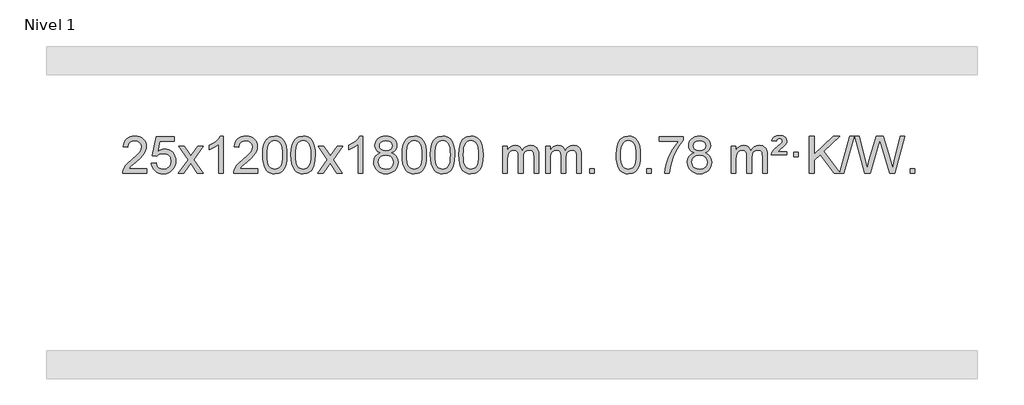
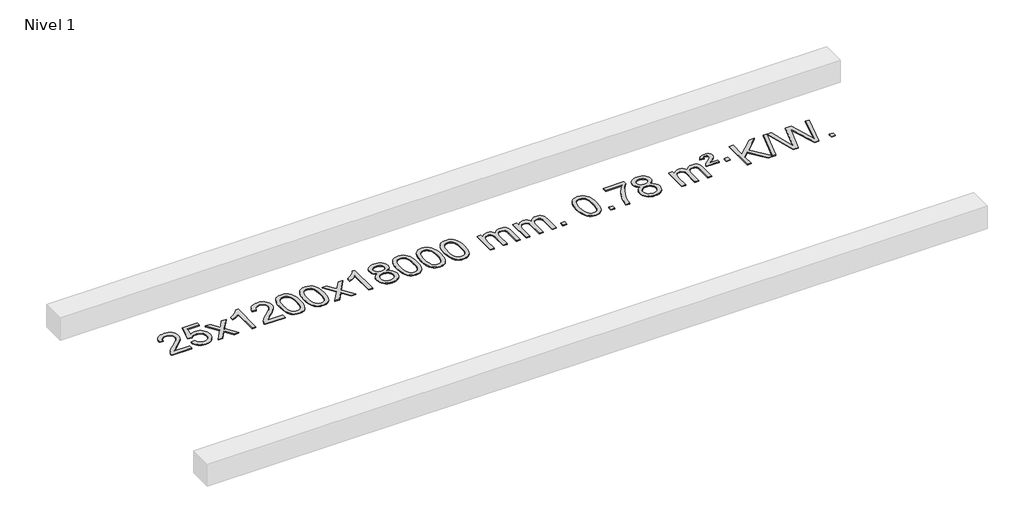
# One storey, part 3 of 3: 1 proxy.
"""IFC4 building model written with IfcOpenShell, lengths in millimetres."""

from ifc_helpers import new_model, si_unit, origin, origin_with_axes, place, context, project, spatial, polyline, outline, extrude, element, save

model = new_model("IFC4")

# Units and contexts
model_context = context("Model", 3, world=origin())
ifc_project = project(units=[si_unit("LENGTHUNIT", "METRE", prefix="MILLI")], contexts=[model_context])

# Site, building, storey
site = spatial("IfcSite", under=ifc_project)
building = spatial("IfcBuilding", under=site)
storey = spatial("IfcBuildingStorey", under=building, Name="Nivel 1", Elevation=0.0)

# Proxy
placement = place(None, origin())
element("IfcBuildingElementProxy", 1, Name="Texto de modelo 1", ObjectType="Texto de modelo 1", at=placement, inside=storey, context=model_context, shape_type="SweptSolid", body=[
    extrude(outline(polyline([(-18907.5476689, 2333.9033514), (-18907.5476689, 2283.6751963), (-19171.2454831, 2283.6751963), (-19170.1418371, 2301.3580575), (-19165.8498805, 2318.3051548), (-19153.46452, 2345.3690069), (-19135.3402003, 2371.6235186), (-19109.1224768, 2399.1043037), (-19072.4569046, 2429.8469757), (-19018.255624, 2477.9904662), (-18985.7348556, 2513.5278669), (-18969.4744714, 2542.3698153), (-18964.0543434, 2570.4269488), (-18969.1679031, 2595.5778145), (-18984.5085823, 2616.4857746), (-19008.0898182, 2630.575655), (-19037.925048, 2635.2722818), (-19069.2563313, 2630.6860196), (-19093.5978566, 2616.927233), (-19109.3064178, 2595.0750425), (-19114.7388086, 2566.2085686), (-19164.9669637, 2572.487088), (-19160.6474159, 2598.4166373), (-19152.7900696, 2621.0720368), (-19141.3949248, 2640.4532866), (-19126.4619815, 2656.5603866), (-19108.3345962, 2669.2216586), (-19087.3561254, 2678.2654243), (-19063.5265692, 2683.6916838), (-19036.8459275, 2685.5004369), (-19009.9261625, 2683.4893487), (-18985.9678476, 2677.4560839), (-18964.9709827, 2667.4006427), (-18946.9355679, 2653.3230251), (-18932.4502143, 2636.2655632), (-18922.1035332, 2617.2705895), (-18915.8955245, 2596.338104), (-18913.8261883, 2573.4681066), (-18916.0580057, 2549.4454124), (-18922.7534581, 2525.839651), (-18934.6360465, 2501.8292194), (-18952.4292723, 2476.5925146), (-18980.7929742, 2446.4629792), (-19024.3869906, 2407.774056), (-19082.1689893, 2359.4588873), (-19104.8305202, 2333.9033514), (-18907.5476689, 2333.9033514)])), origin_with_axes(), (0.0, 0.0, 1.0), 10.0),
    extrude(outline(polyline([(-18857.3195138, 2390.4100258), (-18807.0913588, 2396.6885452), (-18797.8697834, 2366.5344844), (-18781.7810775, 2344.9398112), (-18758.8988174, 2331.9535768), (-18729.2965795, 2327.624832), (-18710.1667158, 2329.1300825), (-18693.2931949, 2333.645834), (-18678.676017, 2341.1720865), (-18666.3151819, 2351.7088399), (-18656.4866013, 2364.7349283), (-18649.4661866, 2379.7291852), (-18643.8498548, 2415.6222052), (-18649.1105673, 2449.4182979), (-18655.686458, 2463.3365), (-18664.8927049, 2475.2681394), (-18676.7599649, 2484.8392026), (-18691.3188949, 2491.6756764), (-18728.5117646, 2497.1448554), (-18752.8778154, 2494.9620889), (-18772.6085531, 2488.4137894), (-18788.3661652, 2478.3828736), (-18800.8128394, 2465.7522585), (-18851.0409945, 2472.0307778), (-18807.0913588, 2679.2219175), (-18612.4572579, 2679.2219175), (-18612.4572579, 2628.9937624), (-18766.4771865, 2628.9937624), (-18787.961495, 2518.3348583), (-18770.2357142, 2531.0390499), (-18752.0807378, 2540.1134724), (-18733.4965656, 2545.5581259), (-18714.4831979, 2547.3730104), (-18690.0221109, 2545.1227989), (-18667.553718, 2538.3721643), (-18647.0780193, 2527.1211066), (-18628.5950147, 2511.3696259), (-18613.2941894, 2492.0803466), (-18602.3650285, 2470.2158933), (-18595.8075319, 2445.7762661), (-18593.6216997, 2418.7614649), (-18595.5898684, 2392.7399451), (-18601.4943744, 2368.5333099), (-18611.3352178, 2346.1415591), (-18625.1123985, 2325.5646928), (-18645.9835703, 2304.4911859), (-18670.3373584, 2289.4386809), (-18698.1737627, 2280.4071779), (-18729.4927833, 2277.3966769), (-18755.4131355, 2279.3311231), (-18778.8257588, 2285.1344616), (-18799.7306532, 2294.8066923), (-18818.1278186, 2308.3478154), (-18833.4347753, 2325.0833805), (-18845.0690434, 2344.3389373), (-18853.0306229, 2366.1144857), (-18857.3195138, 2390.4100258)])), origin_with_axes(), (0.0, 0.0, 1.0), 10.0),
    extrude(outline(polyline([(-18568.5076222, 2283.6751963), (-18461.1841814, 2432.0052168), (-18562.2291028, 2578.7656074), (-18501.7983537, 2578.7656074), (-18453.0417266, 2508.1322643), (-18430.2820938, 2474.7776301), (-18410.5636189, 2502.0499486), (-18355.0379631, 2578.7656074), (-18294.607214, 2578.7656074), (-18400.7534324, 2432.0052168), (-18298.5312886, 2283.6751963), (-18358.9620377, 2283.6751963), (-18420.4719073, 2372.8497919), (-18431.7536218, 2389.1347016), (-18508.0768731, 2283.6751963), (-18568.5076222, 2283.6751963)])), origin_with_axes(), (0.0, 0.0, 1.0), 10.0),
    extrude(outline(polyline([(-18078.7831102, 2283.6751963), (-18129.0112653, 2283.6751963), (-18129.0112653, 2596.8163506), (-18149.980539, 2579.8569906), (-18176.59067, 2562.9221561), (-18229.4675754, 2537.5628239), (-18229.4675754, 2585.0441268), (-18190.0183628, 2606.5039098), (-18155.8421254, 2632.0349203), (-18128.9009007, 2659.1846115), (-18111.1567258, 2685.5004369), (-18078.7831102, 2685.5004369), (-18078.7831102, 2283.6751963)])), origin_with_axes(), (0.0, 0.0, 1.0), 10.0),
    extrude(outline(polyline([(-17702.0719471, 2333.9033514), (-17702.0719471, 2283.6751963), (-17965.7697613, 2283.6751963), (-17964.6661153, 2301.3580575), (-17960.3741587, 2318.3051548), (-17947.9887982, 2345.3690069), (-17929.8644785, 2371.6235186), (-17903.646755, 2399.1043037), (-17866.9811828, 2429.8469757), (-17812.7799022, 2477.9904662), (-17780.2591338, 2513.5278669), (-17763.9987496, 2542.3698153), (-17758.5786216, 2570.4269488), (-17763.6921813, 2595.5778145), (-17779.0328605, 2616.4857746), (-17802.6140964, 2630.575655), (-17832.4493262, 2635.2722818), (-17863.7806095, 2630.6860196), (-17888.1221348, 2616.927233), (-17903.830696, 2595.0750425), (-17909.2630868, 2566.2085686), (-17959.4912419, 2572.487088), (-17955.1716941, 2598.4166373), (-17947.3143478, 2621.0720368), (-17935.919203, 2640.4532866), (-17920.9862597, 2656.5603866), (-17902.8588744, 2669.2216586), (-17881.8804036, 2678.2654243), (-17858.0508474, 2683.6916838), (-17831.3702057, 2685.5004369), (-17804.4504407, 2683.4893487), (-17780.4921258, 2677.4560839), (-17759.4952609, 2667.4006427), (-17741.4598461, 2653.3230251), (-17726.9744925, 2636.2655632), (-17716.6278114, 2617.2705895), (-17710.4198027, 2596.338104), (-17708.3504665, 2573.4681066), (-17710.5822839, 2549.4454124), (-17717.2777363, 2525.839651), (-17729.1603247, 2501.8292194), (-17746.9535505, 2476.5925146), (-17775.3172524, 2446.4629792), (-17818.9112688, 2407.774056), (-17876.6932675, 2359.4588873), (-17899.3547984, 2333.9033514), (-17702.0719471, 2333.9033514)])), origin_with_axes(), (0.0, 0.0, 1.0), 10.0),
    extrude(outline(polyline([(-17651.8437921, 2481.350455), (-17648.1527094, 2545.6684905), (-17637.0794613, 2596.9635034), (-17618.7344125, 2636.0203086), (-17606.8763495, 2651.2536888), (-17593.2279275, 2663.6237209), (-17577.7431612, 2673.1947842), (-17560.3760653, 2680.0312579), (-17519.994885, 2685.5004369), (-17489.0437465, 2682.2630753), (-17461.3299695, 2672.5509907), (-17438.1534038, 2656.7443276), (-17420.8138991, 2635.2232309), (-17407.7173001, 2608.1716415), (-17397.2694514, 2575.7735005), (-17390.4268463, 2534.6320307), (-17388.1459779, 2481.350455), (-17391.8002724, 2417.4003016), (-17402.7631558, 2366.227916), (-17420.9978401, 2327.1343227), (-17432.8283119, 2311.8549571), (-17446.4675369, 2299.4205457), (-17461.9706973, 2289.7851031), (-17479.3929754, 2282.9026441), (-17519.994885, 2277.3966769), (-17547.659611, 2279.7879099), (-17572.1850774, 2286.9616088), (-17593.571284, 2298.9177736), (-17611.818231, 2315.6564044), (-17629.3294139, 2345.9146985), (-17641.8374018, 2383.6164717), (-17649.3421945, 2428.7617238), (-17651.8437921, 2481.350455)]), holes=[polyline([(-17601.615637, 2481.4485569), (-17600.144109, 2437.7840298), (-17595.7295251, 2402.4397671), (-17588.3718851, 2375.4157689), (-17578.0711893, 2356.7120351), (-17565.6122524, 2343.9863837), (-17551.7798894, 2334.8966328), (-17536.5741002, 2329.4427822), (-17519.994885, 2327.624832), (-17503.4156697, 2329.4489136), (-17488.2098806, 2334.9211582), (-17474.3775176, 2344.041566), (-17461.9185807, 2356.8101369), (-17451.6178848, 2375.5445276), (-17444.2602449, 2402.5623944), (-17439.845661, 2437.8637375), (-17438.374133, 2481.4485569), (-17439.79661, 2523.9573215), (-17444.0640412, 2558.6792504), (-17451.1764264, 2585.6143438), (-17461.1337658, 2604.7626017), (-17473.3842362, 2618.1105868), (-17487.3760147, 2627.6448618), (-17503.1091014, 2633.3654268), (-17520.5834962, 2635.2722818), (-17537.0768723, 2633.5922874), (-17552.025144, 2628.5523041), (-17565.4283114, 2620.1523318), (-17577.2863744, 2608.3923707), (-17587.9304268, 2587.5457243), (-17595.5333213, 2559.4395399), (-17600.0950581, 2524.0738174), (-17601.615637, 2481.4485569)])]), origin_with_axes(), (0.0, 0.0, 1.0), 10.0),
    extrude(outline(polyline([(-17344.1963422, 2481.350455), (-17340.5052595, 2545.6684905), (-17329.4320115, 2596.9635034), (-17311.0869627, 2636.0203086), (-17299.2288997, 2651.2536888), (-17285.5804777, 2663.6237209), (-17270.0957113, 2673.1947842), (-17252.7286155, 2680.0312579), (-17212.3474351, 2685.5004369), (-17181.3962966, 2682.2630753), (-17153.6825196, 2672.5509907), (-17130.505954, 2656.7443276), (-17113.1664492, 2635.2232309), (-17100.0698502, 2608.1716415), (-17089.6220016, 2575.7735005), (-17082.7793964, 2534.6320307), (-17080.4985281, 2481.350455), (-17084.1528226, 2417.4003016), (-17095.115706, 2366.227916), (-17113.3503902, 2327.1343227), (-17125.1808621, 2311.8549571), (-17138.820087, 2299.4205457), (-17154.3232475, 2289.7851031), (-17171.7455256, 2282.9026441), (-17212.3474351, 2277.3966769), (-17240.0121612, 2279.7879099), (-17264.5376275, 2286.9616088), (-17285.9238342, 2298.9177736), (-17304.1707811, 2315.6564044), (-17321.6819641, 2345.9146985), (-17334.1899519, 2383.6164717), (-17341.6947446, 2428.7617238), (-17344.1963422, 2481.350455)]), holes=[polyline([(-17293.9681871, 2481.4485569), (-17292.4966592, 2437.7840298), (-17288.0820752, 2402.4397671), (-17280.7244353, 2375.4157689), (-17270.4237395, 2356.7120351), (-17257.9648025, 2343.9863837), (-17244.1324395, 2334.8966328), (-17228.9266504, 2329.4427822), (-17212.3474351, 2327.624832), (-17195.7682199, 2329.4489136), (-17180.5624308, 2334.9211582), (-17166.7300677, 2344.041566), (-17154.2711308, 2356.8101369), (-17143.970435, 2375.5445276), (-17136.6127951, 2402.5623944), (-17132.1982111, 2437.8637375), (-17130.7266831, 2481.4485569), (-17132.1491602, 2523.9573215), (-17136.4165913, 2558.6792504), (-17143.5289766, 2585.6143438), (-17153.4863159, 2604.7626017), (-17165.7367864, 2618.1105868), (-17179.7285649, 2627.6448618), (-17195.4616516, 2633.3654268), (-17212.9360463, 2635.2722818), (-17229.4294225, 2633.5922874), (-17244.3776942, 2628.5523041), (-17257.7808616, 2620.1523318), (-17269.6389245, 2608.3923707), (-17280.2829769, 2587.5457243), (-17287.8858715, 2559.4395399), (-17292.4476082, 2524.0738174), (-17293.9681871, 2481.4485569)])]), origin_with_axes(), (0.0, 0.0, 1.0), 10.0),
    extrude(outline(polyline([(-17055.3844505, 2283.6751963), (-16948.0610098, 2432.0052168), (-17049.1059312, 2578.7656074), (-16988.6751821, 2578.7656074), (-16939.918555, 2508.1322643), (-16917.1589222, 2474.7776301), (-16897.4404473, 2502.0499486), (-16841.9147915, 2578.7656074), (-16781.4840424, 2578.7656074), (-16887.6302607, 2432.0052168), (-16785.408117, 2283.6751963), (-16845.8388661, 2283.6751963), (-16907.3487357, 2372.8497919), (-16918.6304502, 2389.1347016), (-16994.9537015, 2283.6751963), (-17055.3844505, 2283.6751963)])), origin_with_axes(), (0.0, 0.0, 1.0), 10.0),
    extrude(outline(polyline([(-16565.6599386, 2283.6751963), (-16615.8880936, 2283.6751963), (-16615.8880936, 2596.8163506), (-16636.8573674, 2579.8569906), (-16663.4674983, 2562.9221561), (-16716.3444038, 2537.5628239), (-16716.3444038, 2585.0441268), (-16676.8951912, 2606.5039098), (-16642.7189538, 2632.0349203), (-16615.777729, 2659.1846115), (-16598.0335541, 2685.5004369), (-16565.6599386, 2685.5004369), (-16565.6599386, 2283.6751963)])), origin_with_axes(), (0.0, 0.0, 1.0), 10.0),
    extrude(outline(polyline([(-16373.1840787, 2504.9930046), (-16400.0762525, 2518.2367564), (-16418.9485989, 2536.1893978), (-16430.0954233, 2558.4830467), (-16433.8110315, 2584.7498212), (-16431.7876805, 2605.2347169), (-16425.7176276, 2624.0150928), (-16415.6008727, 2641.0909487), (-16401.4374159, 2656.4622848), (-16383.9078388, 2669.1664763), (-16363.6927232, 2678.2408989), (-16340.792069, 2683.6855524), (-16315.2058762, 2685.5004369), (-16289.4970561, 2683.6426328), (-16266.4247237, 2678.0692206), (-16245.9888788, 2668.7802002), (-16228.1895216, 2655.7755717), (-16213.7685474, 2640.1037987), (-16203.4678516, 2622.8133449), (-16197.2874341, 2603.9042104), (-16195.2272949, 2583.376395), (-16198.8938521, 2557.9557492), (-16209.8935238, 2536.042245), (-16228.3489372, 2518.1999682), (-16254.3827197, 2504.9930046), (-16223.4683694, 2489.0637142), (-16200.966254, 2465.6051057), (-16187.2442556, 2435.7453504), (-16182.6702561, 2400.6126198), (-16184.9388617, 2375.559856), (-16191.7446787, 2352.5917567), (-16203.0877068, 2331.7083221), (-16218.9679463, 2312.9095522), (-16238.5515312, 2297.3726693), (-16261.0045956, 2286.2748957), (-16286.3271396, 2279.6162316), (-16314.5191632, 2277.3966769), (-16342.7111867, 2279.6254287), (-16368.0337307, 2286.3116839), (-16390.4867952, 2297.4554427), (-16410.0703801, 2313.056705), (-16425.9506195, 2331.9872993), (-16437.2936477, 2353.1190543), (-16444.0994646, 2376.4519698), (-16446.3680703, 2401.986046), (-16441.6101298, 2438.4799399), (-16427.3363084, 2468.4991107), (-16404.28237, 2491.0134888), (-16373.1840787, 2504.9930046)]), holes=[polyline([(-16396.1399152, 2403.7518795), (-16394.0429878, 2384.5361766), (-16387.7522057, 2365.9336104), (-16376.1393974, 2349.7100144), (-16358.0763914, 2337.6312223), (-16336.4449301, 2330.1264296), (-16314.1267557, 2327.624832), (-16279.9382556, 2332.8855445), (-16266.044579, 2339.4614352), (-16254.2846178, 2348.6676821), (-16238.2449629, 2372.5677491), (-16232.8984112, 2402.1822497), (-16238.4166411, 2432.2995224), (-16254.9713309, 2456.7268868), (-16267.0501231, 2466.1691914), (-16281.2135799, 2472.9136946), (-16315.7944874, 2478.3092972), (-16349.5047409, 2472.987271), (-16363.2420678, 2466.3347383), (-16374.9008613, 2457.0211924), (-16390.8301517, 2433.0598118), (-16396.1399152, 2403.7518795)]), polyline([(-16383.5828764, 2583.2782932), (-16379.1315043, 2561.3525263), (-16365.7773878, 2543.8413433), (-16343.9129346, 2532.363425), (-16313.930552, 2528.5374523), (-16284.6471452, 2532.3388996), (-16263.1137857, 2543.7432414), (-16249.8700339, 2560.6658132), (-16245.45545, 2581.0219503), (-16250.0171867, 2602.1506395), (-16263.7023969, 2619.6250343), (-16285.530062, 2631.3604699), (-16314.5191632, 2635.2722818), (-16343.6922054, 2631.4463091), (-16365.4830822, 2619.9683908), (-16379.0579279, 2603.1439209), (-16383.5828764, 2583.2782932)])]), origin_with_axes(), (0.0, 0.0, 1.0), 10.0),
    extrude(outline(polyline([(-16138.7206204, 2481.350455), (-16135.0295377, 2545.6684905), (-16123.9562897, 2596.9635034), (-16105.6112409, 2636.0203086), (-16093.7531779, 2651.2536888), (-16080.1047559, 2663.6237209), (-16064.6199895, 2673.1947842), (-16047.2528937, 2680.0312579), (-16006.8717134, 2685.5004369), (-15975.9205748, 2682.2630753), (-15948.2067979, 2672.5509907), (-15925.0302322, 2656.7443276), (-15907.6907275, 2635.2232309), (-15894.5941284, 2608.1716415), (-15884.1462798, 2575.7735005), (-15877.3036746, 2534.6320307), (-15875.0228063, 2481.350455), (-15878.6771008, 2417.4003016), (-15889.6399842, 2366.227916), (-15907.8746684, 2327.1343227), (-15919.7051403, 2311.8549571), (-15933.3443652, 2299.4205457), (-15948.8475257, 2289.7851031), (-15966.2698038, 2282.9026441), (-16006.8717134, 2277.3966769), (-16034.5364394, 2279.7879099), (-16059.0619057, 2286.9616088), (-16080.4481124, 2298.9177736), (-16098.6950593, 2315.6564044), (-16116.2062423, 2345.9146985), (-16128.7142302, 2383.6164717), (-16136.2190229, 2428.7617238), (-16138.7206204, 2481.350455)]), holes=[polyline([(-16088.4924653, 2481.4485569), (-16087.0209374, 2437.7840298), (-16082.6063534, 2402.4397671), (-16075.2487135, 2375.4157689), (-16064.9480177, 2356.7120351), (-16052.4890808, 2343.9863837), (-16038.6567177, 2334.8966328), (-16023.4509286, 2329.4427822), (-16006.8717134, 2327.624832), (-15990.2924981, 2329.4489136), (-15975.086709, 2334.9211582), (-15961.2543459, 2344.041566), (-15948.795409, 2356.8101369), (-15938.4947132, 2375.5445276), (-15931.1370733, 2402.5623944), (-15926.7224893, 2437.8637375), (-15925.2509614, 2481.4485569), (-15926.6734384, 2523.9573215), (-15930.9408695, 2558.6792504), (-15938.0532548, 2585.6143438), (-15948.0105941, 2604.7626017), (-15960.2610646, 2618.1105868), (-15974.2528431, 2627.6448618), (-15989.9859298, 2633.3654268), (-16007.4603245, 2635.2722818), (-16023.9537007, 2633.5922874), (-16038.9019724, 2628.5523041), (-16052.3051398, 2620.1523318), (-16064.1632027, 2608.3923707), (-16074.8072551, 2587.5457243), (-16082.4101497, 2559.4395399), (-16086.9718864, 2524.0738174), (-16088.4924653, 2481.4485569)])]), origin_with_axes(), (0.0, 0.0, 1.0), 10.0),
    extrude(outline(polyline([(-15831.0731706, 2481.350455), (-15827.3820879, 2545.6684905), (-15816.3088398, 2596.9635034), (-15797.963791, 2636.0203086), (-15786.105728, 2651.2536888), (-15772.457306, 2663.6237209), (-15756.9725397, 2673.1947842), (-15739.6054439, 2680.0312579), (-15699.2242635, 2685.5004369), (-15668.273125, 2682.2630753), (-15640.559348, 2672.5509907), (-15617.3827823, 2656.7443276), (-15600.0432776, 2635.2232309), (-15586.9466786, 2608.1716415), (-15576.4988299, 2575.7735005), (-15569.6562248, 2534.6320307), (-15567.3753564, 2481.350455), (-15571.0296509, 2417.4003016), (-15581.9925344, 2366.227916), (-15600.2272186, 2327.1343227), (-15612.0576904, 2311.8549571), (-15625.6969154, 2299.4205457), (-15641.2000758, 2289.7851031), (-15658.622354, 2282.9026441), (-15699.2242635, 2277.3966769), (-15726.8889896, 2279.7879099), (-15751.4144559, 2286.9616088), (-15772.8006626, 2298.9177736), (-15791.0476095, 2315.6564044), (-15808.5587925, 2345.9146985), (-15821.0667803, 2383.6164717), (-15828.571573, 2428.7617238), (-15831.0731706, 2481.350455)]), holes=[polyline([(-15780.8450155, 2481.4485569), (-15779.3734875, 2437.7840298), (-15774.9589036, 2402.4397671), (-15767.6012637, 2375.4157689), (-15757.3005678, 2356.7120351), (-15744.8416309, 2343.9863837), (-15731.0092679, 2334.8966328), (-15715.8034788, 2329.4427822), (-15699.2242635, 2327.624832), (-15682.6450483, 2329.4489136), (-15667.4392591, 2334.9211582), (-15653.6068961, 2344.041566), (-15641.1479592, 2356.8101369), (-15630.8472633, 2375.5445276), (-15623.4896234, 2402.5623944), (-15619.0750395, 2437.8637375), (-15617.6035115, 2481.4485569), (-15619.0259886, 2523.9573215), (-15623.2934197, 2558.6792504), (-15630.405805, 2585.6143438), (-15640.3631443, 2604.7626017), (-15652.6136147, 2618.1105868), (-15666.6053933, 2627.6448618), (-15682.3384799, 2633.3654268), (-15699.8128747, 2635.2722818), (-15716.3062508, 2633.5922874), (-15731.2545226, 2628.5523041), (-15744.6576899, 2620.1523318), (-15756.5157529, 2608.3923707), (-15767.1598053, 2587.5457243), (-15774.7626999, 2559.4395399), (-15779.3244366, 2524.0738174), (-15780.8450155, 2481.4485569)])]), origin_with_axes(), (0.0, 0.0, 1.0), 10.0),
    extrude(outline(polyline([(-15523.4257208, 2481.350455), (-15519.7346381, 2545.6684905), (-15508.66139, 2596.9635034), (-15490.3163412, 2636.0203086), (-15478.4582782, 2651.2536888), (-15464.8098562, 2663.6237209), (-15449.3250899, 2673.1947842), (-15431.957994, 2680.0312579), (-15391.5768137, 2685.5004369), (-15360.6256752, 2682.2630753), (-15332.9118982, 2672.5509907), (-15309.7353325, 2656.7443276), (-15292.3958278, 2635.2232309), (-15279.2992288, 2608.1716415), (-15268.8513801, 2575.7735005), (-15262.008775, 2534.6320307), (-15259.7279066, 2481.350455), (-15263.3822011, 2417.4003016), (-15274.3450846, 2366.227916), (-15292.5797688, 2327.1343227), (-15304.4102406, 2311.8549571), (-15318.0494656, 2299.4205457), (-15333.552626, 2289.7851031), (-15350.9749041, 2282.9026441), (-15391.5768137, 2277.3966769), (-15419.2415397, 2279.7879099), (-15443.7670061, 2286.9616088), (-15465.1532127, 2298.9177736), (-15483.4001597, 2315.6564044), (-15500.9113427, 2345.9146985), (-15513.4193305, 2383.6164717), (-15520.9241232, 2428.7617238), (-15523.4257208, 2481.350455)]), holes=[polyline([(-15473.1975657, 2481.4485569), (-15471.7260377, 2437.7840298), (-15467.3114538, 2402.4397671), (-15459.9538139, 2375.4157689), (-15449.653118, 2356.7120351), (-15437.1941811, 2343.9863837), (-15423.3618181, 2334.8966328), (-15408.1560289, 2329.4427822), (-15391.5768137, 2327.624832), (-15374.9975984, 2329.4489136), (-15359.7918093, 2334.9211582), (-15345.9594463, 2344.041566), (-15333.5005094, 2356.8101369), (-15323.1998135, 2375.5445276), (-15315.8421736, 2402.5623944), (-15311.4275897, 2437.8637375), (-15309.9560617, 2481.4485569), (-15311.3785387, 2523.9573215), (-15315.6459699, 2558.6792504), (-15322.7583551, 2585.6143438), (-15332.7156945, 2604.7626017), (-15344.9661649, 2618.1105868), (-15358.9579434, 2627.6448618), (-15374.6910301, 2633.3654268), (-15392.1654249, 2635.2722818), (-15408.658801, 2633.5922874), (-15423.6070727, 2628.5523041), (-15437.0102401, 2620.1523318), (-15448.8683031, 2608.3923707), (-15459.5123555, 2587.5457243), (-15467.11525, 2559.4395399), (-15471.6769868, 2524.0738174), (-15473.1975657, 2481.4485569)])]), origin_with_axes(), (0.0, 0.0, 1.0), 10.0),
    extrude(outline(polyline([(-15046.2582475, 2283.6751963), (-15046.2582475, 2578.7656074), (-14996.0300925, 2578.7656074), (-14996.0300925, 2530.205184), (-14980.9224052, 2552.5110956), (-14961.4982359, 2569.9854904), (-14938.419772, 2581.2794677), (-14912.3492013, 2585.0441268), (-14884.4146951, 2581.2058913), (-14862.0229444, 2569.6911848), (-14845.2965763, 2551.2602969), (-14834.3582183, 2526.6735169), (-14816.0499577, 2552.2106587), (-14795.1665231, 2570.4514743), (-14771.7079145, 2581.3959636), (-14745.674132, 2585.0441268), (-14725.5663153, 2583.5266135), (-14707.9171766, 2578.9740738), (-14692.7267159, 2571.3865077), (-14679.9949331, 2560.7639151), (-14669.9302949, 2546.9836687), (-14662.7412676, 2529.9231411), (-14658.4278512, 2509.5823325), (-14656.9900457, 2485.9612427), (-14656.9900457, 2283.6751963), (-14707.2182008, 2283.6751963), (-14707.2182008, 2464.3788323), (-14708.3831604, 2489.4315962), (-14711.8780394, 2506.3173798), (-14718.4263389, 2517.8811372), (-14728.7515602, 2526.9678224), (-14742.0321003, 2532.8539344), (-14757.4463559, 2534.8159717), (-14784.6573608, 2529.7882511), (-14806.8406451, 2514.7050893), (-14815.4460181, 2503.1352005), (-14821.5927131, 2488.5364167), (-14826.5100691, 2450.2521637), (-14826.5100691, 2283.6751963), (-14876.7382242, 2283.6751963), (-14876.7382242, 2469.9706387), (-14879.6444919, 2498.3711287), (-14888.3632952, 2518.6291639), (-14903.7039744, 2530.7692697), (-14926.4758699, 2534.8159717), (-14945.8264629, 2532.1181704), (-14963.6564769, 2524.0247665), (-14978.3717567, 2510.7319637), (-14988.378147, 2492.4359658), (-14994.1171061, 2467.0521082), (-14996.0300925, 2432.4957261), (-14996.0300925, 2283.6751963), (-15046.2582475, 2283.6751963)])), origin_with_axes(), (0.0, 0.0, 1.0), 10.0),
    extrude(outline(polyline([(-14581.6478131, 2283.6751963), (-14581.6478131, 2578.7656074), (-14531.419658, 2578.7656074), (-14531.419658, 2530.205184), (-14516.3119708, 2552.5110956), (-14496.8878014, 2569.9854904), (-14473.8093376, 2581.2794677), (-14447.7387669, 2585.0441268), (-14419.8042607, 2581.2058913), (-14397.4125099, 2569.6911848), (-14380.6861419, 2551.2602969), (-14369.7477839, 2526.6735169), (-14351.4395233, 2552.2106587), (-14330.5560887, 2570.4514743), (-14307.0974801, 2581.3959636), (-14281.0636976, 2585.0441268), (-14260.9558809, 2583.5266135), (-14243.3067421, 2578.9740738), (-14228.1162814, 2571.3865077), (-14215.3844987, 2560.7639151), (-14205.3198605, 2546.9836687), (-14198.1308331, 2529.9231411), (-14193.8174167, 2509.5823325), (-14192.3796113, 2485.9612427), (-14192.3796113, 2283.6751963), (-14242.6077663, 2283.6751963), (-14242.6077663, 2464.3788323), (-14243.772726, 2489.4315962), (-14247.267605, 2506.3173798), (-14253.8159045, 2517.8811372), (-14264.1411258, 2526.9678224), (-14277.4216658, 2532.8539344), (-14292.8359214, 2534.8159717), (-14320.0469263, 2529.7882511), (-14342.2302106, 2514.7050893), (-14350.8355836, 2503.1352005), (-14356.9822786, 2488.5364167), (-14361.8996347, 2450.2521637), (-14361.8996347, 2283.6751963), (-14412.1277897, 2283.6751963), (-14412.1277897, 2469.9706387), (-14415.0340575, 2498.3711287), (-14423.7528608, 2518.6291639), (-14439.09354, 2530.7692697), (-14461.8654355, 2534.8159717), (-14481.2160284, 2532.1181704), (-14499.0460425, 2524.0247665), (-14513.7613223, 2510.7319637), (-14523.7677125, 2492.4359658), (-14529.5066717, 2467.0521082), (-14531.419658, 2432.4957261), (-14531.419658, 2283.6751963), (-14581.6478131, 2283.6751963)])), origin_with_axes(), (0.0, 0.0, 1.0), 10.0),
    extrude(outline(polyline([(-14104.4803399, 2283.6751963), (-14104.4803399, 2333.9033514), (-14054.2521848, 2333.9033514), (-14054.2521848, 2283.6751963), (-14104.4803399, 2283.6751963)])), origin_with_axes(), (0.0, 0.0, 1.0), 10.0),
    extrude(outline(polyline([(-13815.6684482, 2481.350455), (-13811.9773655, 2545.6684905), (-13800.9041175, 2596.9635034), (-13782.5590686, 2636.0203086), (-13770.7010057, 2651.2536888), (-13757.0525836, 2663.6237209), (-13741.5678173, 2673.1947842), (-13724.2007215, 2680.0312579), (-13683.8195411, 2685.5004369), (-13652.8684026, 2682.2630753), (-13625.1546256, 2672.5509907), (-13601.9780599, 2656.7443276), (-13584.6385552, 2635.2232309), (-13571.5419562, 2608.1716415), (-13561.0941075, 2575.7735005), (-13554.2515024, 2534.6320307), (-13551.9706341, 2481.350455), (-13555.6249286, 2417.4003016), (-13566.587812, 2366.227916), (-13584.8224962, 2327.1343227), (-13596.6529681, 2311.8549571), (-13610.292193, 2299.4205457), (-13625.7953535, 2289.7851031), (-13643.2176316, 2282.9026441), (-13683.8195411, 2277.3966769), (-13711.4842672, 2279.7879099), (-13736.0097335, 2286.9616088), (-13757.3959402, 2298.9177736), (-13775.6428871, 2315.6564044), (-13793.1540701, 2345.9146985), (-13805.6620579, 2383.6164717), (-13813.1668506, 2428.7617238), (-13815.6684482, 2481.350455)]), holes=[polyline([(-13765.4402931, 2481.4485569), (-13763.9687652, 2437.7840298), (-13759.5541812, 2402.4397671), (-13752.1965413, 2375.4157689), (-13741.8958454, 2356.7120351), (-13729.4369085, 2343.9863837), (-13715.6045455, 2334.8966328), (-13700.3987564, 2329.4427822), (-13683.8195411, 2327.624832), (-13667.2403259, 2329.4489136), (-13652.0345368, 2334.9211582), (-13638.2021737, 2344.041566), (-13625.7432368, 2356.8101369), (-13615.442541, 2375.5445276), (-13608.0849011, 2402.5623944), (-13603.6703171, 2437.8637375), (-13602.1987891, 2481.4485569), (-13603.6212662, 2523.9573215), (-13607.8886973, 2558.6792504), (-13615.0010826, 2585.6143438), (-13624.9584219, 2604.7626017), (-13637.2088924, 2618.1105868), (-13651.2006709, 2627.6448618), (-13666.9337576, 2633.3654268), (-13684.4081523, 2635.2722818), (-13700.9015285, 2633.5922874), (-13715.8498002, 2628.5523041), (-13729.2529675, 2620.1523318), (-13741.1110305, 2608.3923707), (-13751.7550829, 2587.5457243), (-13759.3579775, 2559.4395399), (-13763.9197142, 2524.0738174), (-13765.4402931, 2481.4485569)])]), origin_with_axes(), (0.0, 0.0, 1.0), 10.0),
    extrude(outline(polyline([(-13482.9069208, 2283.6751963), (-13482.9069208, 2333.9033514), (-13432.6787658, 2333.9033514), (-13432.6787658, 2283.6751963), (-13482.9069208, 2283.6751963)])), origin_with_axes(), (0.0, 0.0, 1.0), 10.0),
    extrude(outline(polyline([(-13351.0580138, 2628.9937624), (-13351.0580138, 2679.2219175), (-13087.3601996, 2679.2219175), (-13087.3601996, 2638.6077453), (-13124.9454768, 2591.0406033), (-13162.162872, 2530.5485405), (-13194.9902087, 2462.649787), (-13219.4053104, 2392.8625725), (-13231.373738, 2340.6478546), (-13238.0446649, 2283.6751963), (-13288.2728199, 2283.6751963), (-13282.8404291, 2335.4484558), (-13268.3090903, 2396.9828508), (-13245.071211, 2462.2083286), (-13213.5191985, 2525.0548361), (-13176.6819481, 2581.8680789), (-13137.5883547, 2628.9937624), (-13351.0580138, 2628.9937624)])), origin_with_axes(), (0.0, 0.0, 1.0), 10.0),
    extrude(outline(polyline([(-12970.2265724, 2504.9930046), (-12997.1187462, 2518.2367564), (-13015.9910926, 2536.1893978), (-13027.137917, 2558.4830467), (-13030.8535252, 2584.7498212), (-13028.8301742, 2605.2347169), (-13022.7601213, 2624.0150928), (-13012.6433664, 2641.0909487), (-12998.4799096, 2656.4622848), (-12980.9503325, 2669.1664763), (-12960.7352169, 2678.2408989), (-12937.8345627, 2683.6855524), (-12912.2483699, 2685.5004369), (-12886.5395498, 2683.6426328), (-12863.4672174, 2678.0692206), (-12843.0313725, 2668.7802002), (-12825.2320153, 2655.7755717), (-12810.8110411, 2640.1037987), (-12800.5103453, 2622.8133449), (-12794.3299277, 2603.9042104), (-12792.2697886, 2583.376395), (-12795.9363458, 2557.9557492), (-12806.9360174, 2536.042245), (-12825.3914309, 2518.1999682), (-12851.4252134, 2504.9930046), (-12820.5108631, 2489.0637142), (-12798.0087477, 2465.6051057), (-12784.2867493, 2435.7453504), (-12779.7127498, 2400.6126198), (-12781.9813554, 2375.559856), (-12788.7871723, 2352.5917567), (-12800.1302005, 2331.7083221), (-12816.01044, 2312.9095522), (-12835.5940249, 2297.3726693), (-12858.0470893, 2286.2748957), (-12883.3696333, 2279.6162316), (-12911.5616569, 2277.3966769), (-12939.7536804, 2279.6254287), (-12965.0762244, 2286.3116839), (-12987.5292889, 2297.4554427), (-13007.1128737, 2313.056705), (-13022.9931132, 2331.9872993), (-13034.3361414, 2353.1190543), (-13041.1419583, 2376.4519698), (-13043.4105639, 2401.986046), (-13038.6526235, 2438.4799399), (-13024.3788021, 2468.4991107), (-13001.3248637, 2491.0134888), (-12970.2265724, 2504.9930046)]), holes=[polyline([(-12993.1824089, 2403.7518795), (-12991.0854815, 2384.5361766), (-12984.7946994, 2365.9336104), (-12973.1818911, 2349.7100144), (-12955.1188851, 2337.6312223), (-12933.4874238, 2330.1264296), (-12911.1692494, 2327.624832), (-12876.9807493, 2332.8855445), (-12863.0870726, 2339.4614352), (-12851.3271115, 2348.6676821), (-12835.2874565, 2372.5677491), (-12829.9409049, 2402.1822497), (-12835.4591348, 2432.2995224), (-12852.0138246, 2456.7268868), (-12864.0926168, 2466.1691914), (-12878.2560736, 2472.9136946), (-12912.8369811, 2478.3092972), (-12946.5472346, 2472.987271), (-12960.2845614, 2466.3347383), (-12971.943355, 2457.0211924), (-12987.8726454, 2433.0598118), (-12993.1824089, 2403.7518795)]), polyline([(-12980.6253701, 2583.2782932), (-12976.173998, 2561.3525263), (-12962.8198815, 2543.8413433), (-12940.9554283, 2532.363425), (-12910.9730457, 2528.5374523), (-12881.6896389, 2532.3388996), (-12860.1562794, 2543.7432414), (-12846.9125276, 2560.6658132), (-12842.4979436, 2581.0219503), (-12847.0596804, 2602.1506395), (-12860.7448906, 2619.6250343), (-12882.5725556, 2631.3604699), (-12911.5616569, 2635.2722818), (-12940.7346991, 2631.4463091), (-12962.5255759, 2619.9683908), (-12976.1004216, 2603.1439209), (-12980.6253701, 2583.2782932)])]), origin_with_axes(), (0.0, 0.0, 1.0), 10.0),
    extrude(outline(polyline([(-12566.2430907, 2283.6751963), (-12566.2430907, 2578.7656074), (-12516.0149357, 2578.7656074), (-12516.0149357, 2530.205184), (-12500.9072484, 2552.5110956), (-12481.483079, 2569.9854904), (-12458.4046152, 2581.2794677), (-12432.3340445, 2585.0441268), (-12404.3995383, 2581.2058913), (-12382.0077875, 2569.6911848), (-12365.2814195, 2551.2602969), (-12354.3430615, 2526.6735169), (-12336.0348009, 2552.2106587), (-12315.1513663, 2570.4514743), (-12291.6927577, 2581.3959636), (-12265.6589752, 2585.0441268), (-12245.5511585, 2583.5266135), (-12227.9020198, 2578.9740738), (-12212.711559, 2571.3865077), (-12199.9797763, 2560.7639151), (-12189.9151381, 2546.9836687), (-12182.7261108, 2529.9231411), (-12178.4126944, 2509.5823325), (-12176.9748889, 2485.9612427), (-12176.9748889, 2283.6751963), (-12227.203044, 2283.6751963), (-12227.203044, 2464.3788323), (-12228.3680036, 2489.4315962), (-12231.8628826, 2506.3173798), (-12238.4111821, 2517.8811372), (-12248.7364034, 2526.9678224), (-12262.0169434, 2532.8539344), (-12277.431199, 2534.8159717), (-12304.642204, 2529.7882511), (-12326.8254883, 2514.7050893), (-12335.4308613, 2503.1352005), (-12341.5775563, 2488.5364167), (-12346.4949123, 2450.2521637), (-12346.4949123, 2283.6751963), (-12396.7230673, 2283.6751963), (-12396.7230673, 2469.9706387), (-12399.6293351, 2498.3711287), (-12408.3481384, 2518.6291639), (-12423.6888176, 2530.7692697), (-12446.4607131, 2534.8159717), (-12465.811306, 2532.1181704), (-12483.6413201, 2524.0247665), (-12498.3565999, 2510.7319637), (-12508.3629902, 2492.4359658), (-12514.1019493, 2467.0521082), (-12516.0149357, 2432.4957261), (-12516.0149357, 2283.6751963), (-12566.2430907, 2283.6751963)])), origin_with_axes(), (0.0, 0.0, 1.0), 10.0),
    extrude(outline(polyline([(-12133.0252532, 2484.5878166), (-12129.1992805, 2500.4067424), (-12120.8606219, 2516.2747191), (-12099.3517879, 2541.4133221), (-12067.3951053, 2569.1516246), (-12023.2492658, 2606.5284353), (-12016.1123551, 2618.0554045), (-12013.7333849, 2629.8766792), (-12015.6218458, 2641.9677341), (-12021.2872285, 2651.7533952), (-12030.6559567, 2658.2281183), (-12043.6544538, 2660.3863594), (-12056.0888653, 2658.7676786), (-12064.9425586, 2653.9116363), (-12071.3682308, 2644.4448062), (-12076.5185787, 2628.9937624), (-12126.7467338, 2635.2722818), (-12115.9064777, 2660.4844612), (-12099.2782115, 2678.0446951), (-12075.5130346, 2688.345391), (-12043.2620464, 2691.7789563), (-12007.479391, 2687.6464152), (-11982.7331954, 2675.248792), (-11968.3122212, 2656.9160059), (-11963.5052298, 2634.9779762), (-11967.6009827, 2612.0711907), (-11979.8882413, 2590.4397294), (-12000.4160567, 2570.6231525), (-12036.8854251, 2542.566019), (-12062.490012, 2515.9804135), (-11963.5052298, 2515.9804135), (-11963.5052298, 2484.5878166), (-12133.0252532, 2484.5878166)])), origin_with_axes(), (0.0, 0.0, 1.0), 10.0),
    extrude(outline(polyline([(-11888.1629972, 2459.4737391), (-11888.1629972, 2509.7018941), (-11837.9348421, 2509.7018941), (-11837.9348421, 2459.4737391), (-11888.1629972, 2459.4737391)])), origin_with_axes(), (0.0, 0.0, 1.0), 10.0),
    extrude(outline(polyline([(-11447.2932142, 2283.6751963), (-11600.7245317, 2486.3536502), (-11668.4148188, 2421.8026228), (-11668.4148188, 2283.6751963), (-11718.6429738, 2283.6751963), (-11718.6429738, 2685.5004369), (-11668.4148188, 2685.5004369), (-11668.4148188, 2488.8061968), (-11462.4009015, 2685.5004369), (-11392.1599659, 2685.5004369), (-11565.1135545, 2520.2968956), (-11390.4599447, 2289.7197161), (-11279.1466169, 2685.5004369), (-11233.8235551, 2685.5004369), (-11346.836904, 2283.6751963), (-11385.8814465, 2283.6751963), (-11392.1599659, 2283.6751963), (-11447.2932142, 2283.6751963)])), origin_with_axes(), (0.0, 0.0, 1.0), 10.0),
    extrude(outline(polyline([(-11119.3386782, 2283.6751963), (-11228.9184619, 2685.5004369), (-11177.1206769, 2685.5004369), (-11113.5506682, 2421.4102153), (-11093.9302951, 2339.8875652), (-11072.9364959, 2411.9924362), (-10993.2777812, 2685.5004369), (-10918.6222617, 2685.5004369), (-10860.7421611, 2487.236567), (-10835.9469146, 2413.6601679), (-10817.6754422, 2339.8875652), (-10798.6436803, 2419.0557705), (-10734.4850603, 2685.5004369), (-10682.6872754, 2685.5004369), (-10792.3651609, 2283.6751963), (-10846.0268813, 2283.6751963), (-10942.3629131, 2593.6770909), (-10955.8028686, 2636.9400135), (-10970.9105559, 2584.847923), (-11058.7117254, 2283.6751963), (-11119.3386782, 2283.6751963)])), origin_with_axes(), (0.0, 0.0, 1.0), 10.0),
    extrude(outline(polyline([(-10626.180601, 2283.6751963), (-10626.180601, 2333.9033514), (-10575.9524459, 2333.9033514), (-10575.9524459, 2283.6751963), (-10626.180601, 2283.6751963)])), origin_with_axes(), (0.0, 0.0, 1.0), 10.0),
])

save(model, "model.ifc")
